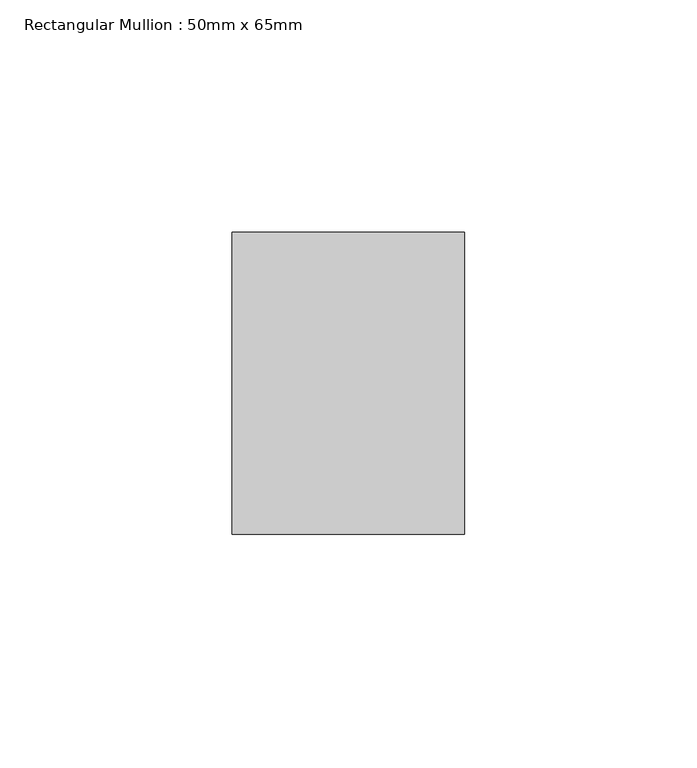
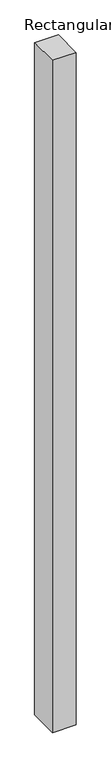
"""IFC4 building model written with IfcOpenShell, lengths in millimetres: member geometry, Rectangular Mullion : 50mm x 65mm."""

from ifc_helpers import new_model, si_unit, origin, place, context, project, spatial, faceted_brep, source, transform, mapped, element, save


def rectangular_mullion_50mm_x_65mm_2fb2043e(model_context):
    return source(origin(), model_context, "Body", "Brep", [
        faceted_brep([(-25.0, 32.5, -0.0443373), (25.0, 32.5, -0.0443373), (25.0, 32.5, -1499.9019591), (-25.0, 32.5, -1499.9019594), (-25.0, -32.5, 0.0443373), (-25.0, -32.5, -1500.0981382), (25.0, -32.5, 0.0443373), (25.0, -32.5, -1500.0981379)], [[[0, 1, 2, 3]], [[4, 0, 3, 5]], [[6, 4, 5, 7]], [[1, 6, 7, 2]], [[1, 0, 4, 6]], [[2, 7, 5, 3]]]),
    ])


if __name__ == "__main__":
    model = new_model("IFC4")
    model_context = context("Model", 3, world=origin())
    ifc_project = project(units=[si_unit("LENGTHUNIT", "METRE", prefix="MILLI")], contexts=[model_context])
    site = spatial("IfcSite", under=ifc_project)
    building = spatial("IfcBuilding", under=site)
    placement = place(None, origin())
    rectangular_mullion_50mm_x_65mm_shape = rectangular_mullion_50mm_x_65mm_2fb2043e(model_context)
    element("IfcMember", 1, ObjectType="Rectangular Mullion : 50mm x 65mm", at=placement, inside=building, context=model_context, shape_type="MappedRepresentation", body=[
        mapped(rectangular_mullion_50mm_x_65mm_shape, transform((0.0, 0.0, 0.0), x_axis=(1.0, 0.0, 0.0), y_axis=(0.0, 1.0, 0.0), z_axis=(0.0, 0.0, 1.0))),
    ])
    save(model, "model.ifc")
